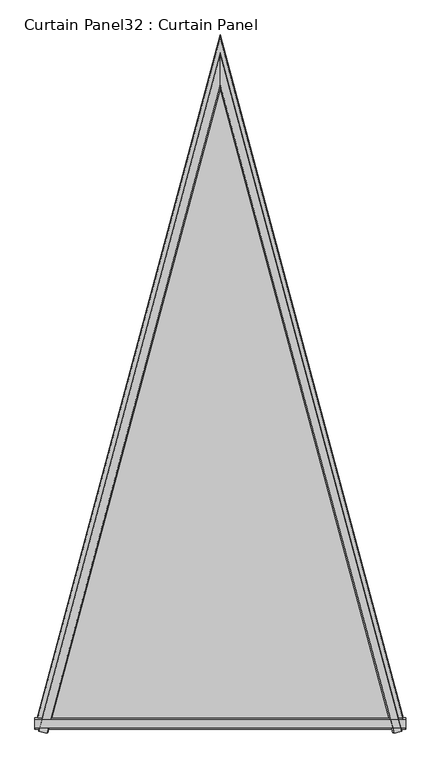
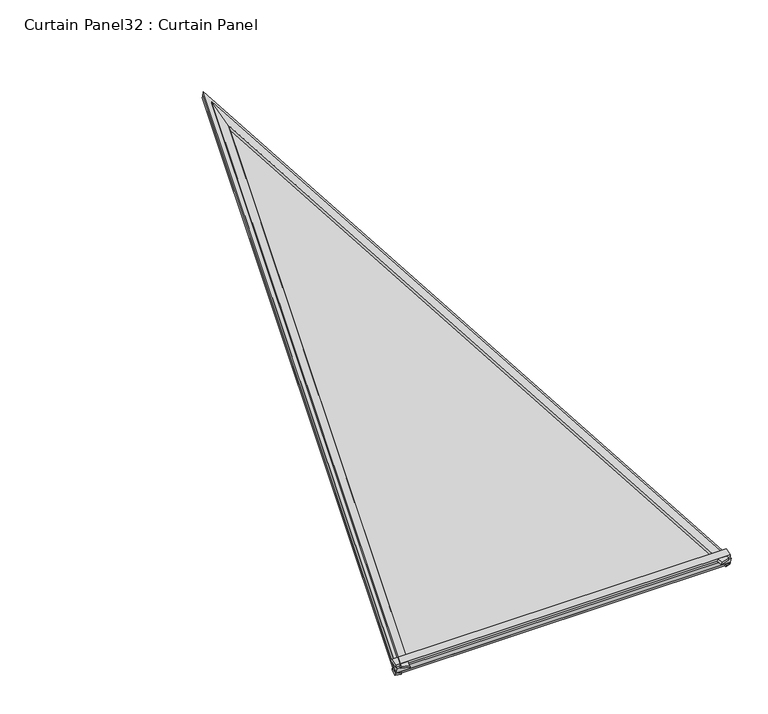
"""IFC4 building model written with IfcOpenShell, lengths in millimetres: plate geometry, Curtain Panel32 : Curtain Panel."""

from ifc_helpers import new_model, si_unit, frame, origin, place, context, project, spatial, polyline, outline, extrude, faceted_brep, source, transform, mapped, element, save


def curtain_panel32_curtain_panel_efb24229(model_context):
    return source(origin(), model_context, "Body", "SolidModel", [
        extrude(outline(polyline([(-15161.6268496, 3562.3427642), (-15148.3589407, 3566.0233009), (-15148.048379, 3561.2139335), (-15157.5866721, 3555.481066), (-15161.6268496, 3562.3427642)])), frame((-12582.3335336, 0.0, 0.0), z_axis=(1.0, 0.0, 0.0), x_axis=(0.0, 1.0, 0.0)), (0.0, 0.0, 1.0), 756.3159449),
        extrude(outline(polyline([(-15141.716773, 3581.3451042), (-15161.2387182, 3575.929689), (-15161.3421999, 3580.8300809), (-15145.3780606, 3585.4099636), (-15141.716773, 3581.3451042)])), frame((-12582.3335336, 0.0, 0.0), z_axis=(1.0, 0.0, 0.0), x_axis=(0.0, 1.0, 0.0)), (0.0, 0.0, 1.0), 756.3159449),
        faceted_brep([(-11833.9763762, -15168.5259566, 3578.8875737), (-11849.9748445, -15172.5089944, 3577.7944707), (-11852.62134, -15171.8817458, 3572.9772981), (-11833.9763762, -15167.2433681, 3574.2639906), (-12204.1756207, -13786.7590159, 3962.1916803), (-12204.1756207, -13850.4562611, 3944.5337716), (-12204.1756207, -13859.7070448, 3936.9764188), (-12555.6881259, -15171.7258191, 3573.0205524), (-12574.3330897, -15167.0874414, 3574.3072449), (-12204.1756207, -13785.4764274, 3957.5680972), (-12574.3330897, -15168.3700299, 3578.930828), (-12558.3346215, -15172.3530677, 3577.837725)], [[[0, 1, 2, 3]], [[1, 0, 4, 5]], [[2, 1, 5, 6]], [[3, 2, 6, 7, 8, 9]], [[0, 3, 9, 4]], [[10, 8, 7, 11]], [[5, 4, 10, 11]], [[6, 5, 11, 7]], [[4, 9, 8, 10]]]),
        faceted_brep([(-11836.741422, -15164.4592491, 3561.5570526), (-11837.0510799, -15163.3035902, 3557.0919654), (-11825.9659132, -15160.3336588, 3557.0918799), (-11825.9659132, -15161.7785852, 3562.3006725), (-12204.1756207, -13793.0128287, 3941.9982322), (-12204.1756207, -13793.0129664, 3937.2125254), (-12204.1756207, -13748.6677023, 3948.6900159), (-12204.1756207, -13750.1126288, 3953.8988084), (-12582.3435528, -15161.6226585, 3562.3439268), (-12571.5680439, -15164.3033223, 3561.6003069), (-12582.3435528, -15160.177732, 3557.1351342), (-12571.2583861, -15163.1476635, 3557.1352197)], [[[0, 1, 2, 3]], [[1, 0, 4, 5]], [[2, 1, 5, 6]], [[3, 2, 6, 7]], [[0, 3, 7, 8, 9, 4]], [[9, 8, 10, 11]], [[5, 4, 9, 11]], [[6, 5, 11, 10]], [[7, 6, 10, 8]]]),
        extrude(outline(polyline([(-16.9915806, 0.0), (-206.0549975, -732.3266763), (-1529.8367033, 0.0), (-16.9915806, 0.0)])), frame((-11821.7591449, -15177.4803281, 3557.9449868), z_axis=(0.0, -0.26730716036356605, 0.96361137499428), x_axis=(0.24997208851708352, -0.9330196459502077, -0.25882097139404403)), (0.0, 0.0, 1.0), 12.988765),
    ])


if __name__ == "__main__":
    model = new_model("IFC4")
    model_context = context("Model", 3, world=origin())
    ifc_project = project(units=[si_unit("LENGTHUNIT", "METRE", prefix="MILLI")], contexts=[model_context])
    site = spatial("IfcSite", under=ifc_project)
    building = spatial("IfcBuilding", under=site)
    placement = place(None, origin())
    curtain_panel32_curtain_panel_shape = curtain_panel32_curtain_panel_efb24229(model_context)
    element("IfcPlate", 1, ObjectType="Curtain Panel32 : Curtain Panel", at=placement, inside=building, context=model_context, shape_type="MappedRepresentation", body=[
        mapped(curtain_panel32_curtain_panel_shape, transform((0.0, 0.0, 0.0), x_axis=(1.0, 0.0, 0.0), y_axis=(0.0, 1.0, 0.0), z_axis=(0.0, 0.0, 1.0))),
    ])
    save(model, "model.ifc")
